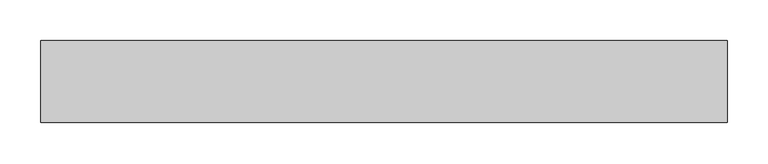
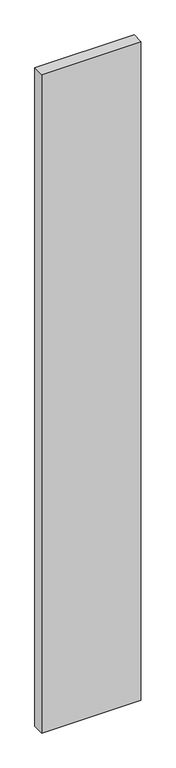
"""IFC4 building model written with IfcOpenShell, lengths in millimetres: proxy geometry."""

from ifc_helpers import new_model, si_unit, frame, origin, place, context, project, spatial, polyline, outline, extrude, source, transform, mapped, element, save


def generic_models_7a104821(model_context):
    return source(origin(), model_context, "Body", "SweptSolid", [
        extrude(outline(polyline([(840.0, 100.0), (840.0, 0.0), (0.0, 0.0), (0.0, 100.0), (840.0, 100.0)])), frame((0.0, 0.0, -5900.0), z_axis=(0.0, 0.0, 1.0), x_axis=(1.0, 0.0, 0.0)), (0.0, 0.0, 1.0), 5900.0),
    ])


if __name__ == "__main__":
    model = new_model("IFC4")
    model_context = context("Model", 3, world=origin())
    ifc_project = project(units=[si_unit("LENGTHUNIT", "METRE", prefix="MILLI")], contexts=[model_context])
    site = spatial("IfcSite", under=ifc_project)
    building = spatial("IfcBuilding", under=site)
    placement = place(None, origin())
    generic_models_shape = generic_models_7a104821(model_context)
    element("IfcBuildingElementProxy", 1, Name="Generic Models", at=placement, inside=building, context=model_context, shape_type="MappedRepresentation", body=[
        mapped(generic_models_shape, transform((0.0, 0.0, 0.0), x_axis=(1.0, 0.0, 0.0), y_axis=(0.0, 1.0, 0.0), z_axis=(0.0, 0.0, 1.0))),
    ])
    save(model, "model.ifc")
